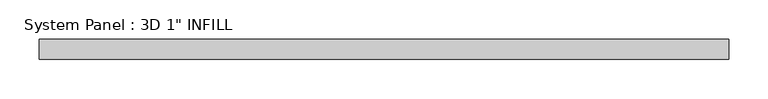
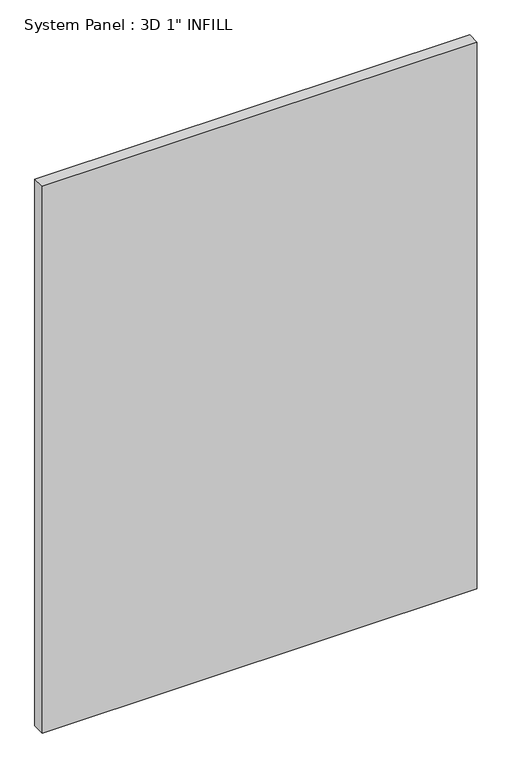
"""IFC4 building model written with IfcOpenShell, lengths in millimetres: plate geometry."""

from ifc_helpers import new_model, si_unit, origin, origin_with_axes, place, context, project, spatial, polyline, outline, extrude, source, transform, mapped, element, save


def plate_43605581(model_context):
    return source(origin(), model_context, "Body", "SweptSolid", [
        extrude(outline(polyline([(437.753125, -12.7), (-437.753125, -12.7), (-437.753125, 12.7), (437.753125, 12.7), (437.753125, -12.7)])), origin_with_axes(), (0.0, 0.0, 1.0), 1162.9845854),
    ])


if __name__ == "__main__":
    model = new_model("IFC4")
    model_context = context("Model", 3, world=origin())
    ifc_project = project(units=[si_unit("LENGTHUNIT", "METRE", prefix="MILLI")], contexts=[model_context])
    site = spatial("IfcSite", under=ifc_project)
    building = spatial("IfcBuilding", under=site)
    placement = place(None, origin())
    plate_shape = plate_43605581(model_context)
    element("IfcPlate", 1, ObjectType="System Panel : 3D 1\" INFILL", at=placement, inside=building, context=model_context, shape_type="MappedRepresentation", body=[
        mapped(plate_shape, transform((0.0, 0.0, 0.0), x_axis=(1.0, 0.0, 0.0), y_axis=(0.0, 1.0, 0.0), z_axis=(0.0, 0.0, 1.0))),
    ])
    save(model, "model.ifc")
